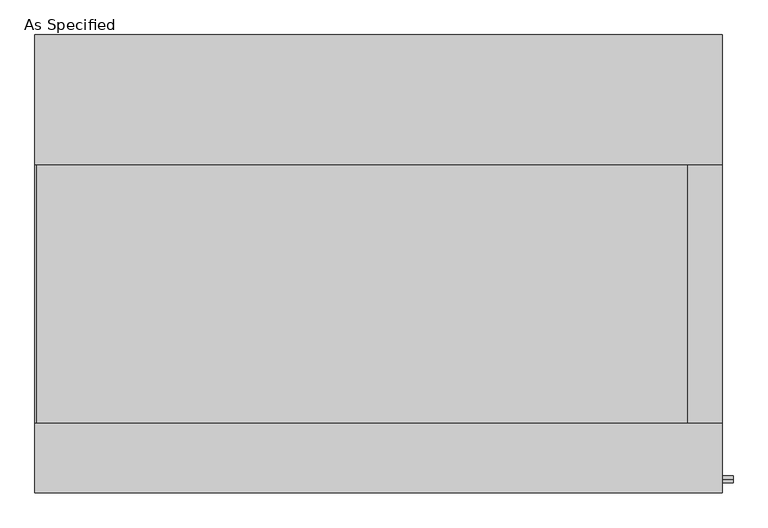
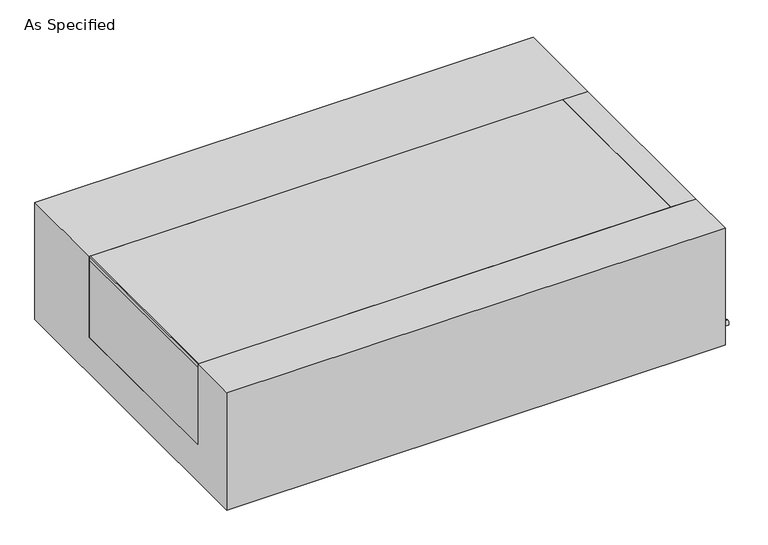
"""IFC4 building model written with IfcOpenShell, lengths in millimetres: proxy geometry, As Specified."""

from ifc_helpers import new_model, si_unit, point, frame, frame_2d, origin, place, context, project, spatial, polyline, circle_curve, trimmed, segment, composite_curve, outline, extrude, source, transform, mapped, element, save


def as_specified_e5b7fbf1(model_context):
    return source(origin(), model_context, "Body", "SweptSolid", [
        extrude(outline(composite_curve([segment(trimmed(circle_curve(frame_2d((-636.5875, -466.725)), 10.5), [point((-636.5875, -456.225))], [point((-636.5875, -477.225))], False, "CARTESIAN"), True, "CONTINUOUS"), segment(trimmed(circle_curve(frame_2d((-636.5875, -466.725)), 10.5), [point((-636.5875, -477.225))], [point((-636.5875, -456.225))], False, "CARTESIAN"), True, "CONTINUOUS")], self_intersect=False)), frame((1014.4125, 0.0, 0.0), z_axis=(1.0, 0.0, 0.0), x_axis=(0.0, 1.0, 0.0)), (0.0, 0.0, 1.0), 31.8403384),
        extrude(outline(polyline([(912.01875, -469.9), (912.01875, 292.1), (1014.4125, 292.1), (1014.4125, -469.9), (912.01875, -469.9)])), frame((0.0, 0.0, -373.0625), z_axis=(0.0, 0.0, 1.0), x_axis=(1.0, 0.0, 0.0)), (0.0, 0.0, 1.0), 347.6625),
        extrude(outline(polyline([(-1010.44375, -469.9), (-1014.4125, -469.9), (-1014.4125, 292.1), (-1010.44375, 292.1), (-1010.44375, -469.9)])), frame((0.0, 0.0, -39.6875), z_axis=(0.0, 0.0, 1.0), x_axis=(1.0, 0.0, 0.0)), (0.0, 0.0, 1.0), 14.2875),
        extrude(outline(polyline([(912.01875, 292.1), (912.01875, -469.9), (-1014.4125, -469.9), (-1014.4125, 292.1), (912.01875, 292.1)])), frame((0.0, 0.0, -373.0625), z_axis=(0.0, 0.0, 1.0), x_axis=(1.0, 0.0, 0.0)), (0.0, 0.0, 1.0), 347.6625),
        extrude(outline(polyline([(676.275, -25.4), (676.275, -530.225), (-676.275, -530.225), (-676.275, -25.4), (-469.9, -25.4), (-469.9, -373.0625), (292.1, -373.0625), (292.1, -25.4), (676.275, -25.4)])), frame((-1014.4125, 0.0, 0.0), z_axis=(1.0, 0.0, 0.0), x_axis=(0.0, 1.0, 0.0)), (0.0, 0.0, 1.0), 2028.825),
    ])


if __name__ == "__main__":
    model = new_model("IFC4")
    model_context = context("Model", 3, world=origin())
    ifc_project = project(units=[si_unit("LENGTHUNIT", "METRE", prefix="MILLI")], contexts=[model_context])
    site = spatial("IfcSite", under=ifc_project)
    building = spatial("IfcBuilding", under=site)
    placement = place(None, origin())
    as_specified_shape = as_specified_e5b7fbf1(model_context)
    element("IfcBuildingElementProxy", 1, Name="As Specified", ObjectType="As Specified", at=placement, inside=building, context=model_context, shape_type="MappedRepresentation", body=[
        mapped(as_specified_shape, transform((0.0, 0.0, 0.0), x_axis=(1.0, 0.0, 0.0), y_axis=(0.0, 1.0, 0.0), z_axis=(0.0, 0.0, 1.0))),
    ])
    save(model, "model.ifc")
